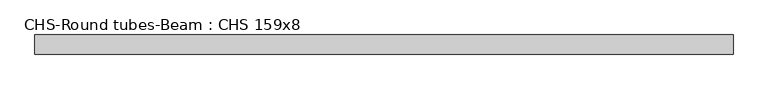
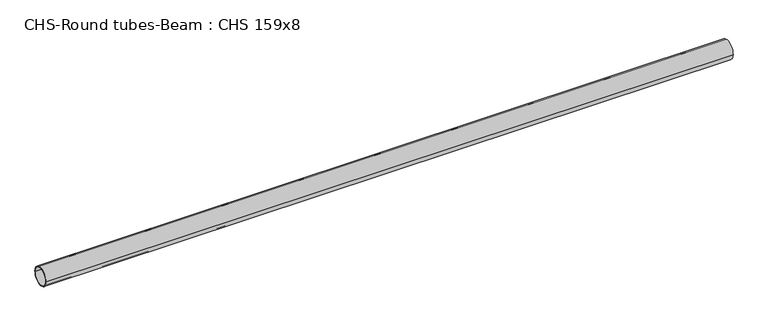
"""IFC4 building model written with IfcOpenShell, lengths in millimetres: beam geometry, CHS-Round tubes-Beam : CHS 159x8."""

import ifcopenshell
import ifcopenshell.guid

model = None  # the IFC model being written
_history = None  # IfcOwnerHistory: only IFC2X3 demands one
_inside = {}  # id of a spatial element -> (the spatial element, [elements in it])
_under = {}  # id of a project, library or spatial element -> (it, [spatial elements below it])
_declared = {}  # id of a project -> (the project, [libraries it declares])
_typed = {}  # id of a type object -> (the type object, [elements of that type])
_made_of = {}  # id of a material, layer set ... -> (it, [elements and type objects made of it])


def new_model(schema):
    """Start an empty IFC model of exactly this schema.

    Asked for "IFC4X3", IfcOpenShell would pick the latest addendum, in which some entities
    have other attributes; the version numbers below select the first issue.
    IFC2X3 requires an IfcOwnerHistory on every rooted entity: one is made here for all.
    """
    global model, _history
    if schema == "IFC4X3":
        model = ifcopenshell.file(schema_version=(4, 3, 0, 0))
    else:
        model = ifcopenshell.file(schema=schema)
    _inside.clear()
    _under.clear()
    _declared.clear()
    _typed.clear()
    _made_of.clear()
    _history = None
    if model.schema == "IFC2X3":
        org = make("IfcOrganization", Name="unknown")
        user = make(
            "IfcPersonAndOrganization",
            ThePerson=make("IfcPerson", FamilyName="unknown"),
            TheOrganization=org,
        )
        app = make(
            "IfcApplication",
            ApplicationDeveloper=org,
            Version="unknown",
            ApplicationFullName="unknown",
            ApplicationIdentifier="unknown",
        )
        _history = make(
            "IfcOwnerHistory",
            OwningUser=user,
            OwningApplication=app,
            ChangeAction="ADDED",
            CreationDate=0,
        )
    return model


def make(cls, **values):
    """One entity of the class cls with the attributes given. An attribute that is None is left unset."""
    return model.create_entity(
        cls, **{name: value for name, value in values.items() if value is not None}
    )


def rooted(cls, **values):
    """An entity with a GlobalId (a new one), such as an element, a storey or a relation."""
    return make(cls, GlobalId=ifcopenshell.guid.new(), OwnerHistory=_history, **values)


def si_unit(unit_type, name, prefix=None):
    """IfcSIUnit, for example si_unit("LENGTHUNIT", "METRE", prefix="MILLI")."""
    return make("IfcSIUnit", UnitType=unit_type, Prefix=prefix, Name=name)


def assignment(units):
    """IfcUnitAssignment: the units of a project."""
    return None if units is None else make("IfcUnitAssignment", Units=units)


def point(xyz):
    """IfcCartesianPoint."""
    return None if xyz is None else make("IfcCartesianPoint", Coordinates=xyz)


def direction(xyz):
    """IfcDirection."""
    return None if xyz is None else make("IfcDirection", DirectionRatios=xyz)


def frame(location, z_axis=None, x_axis=None):
    """IfcAxis2Placement3D, a coordinate frame: its origin and axes. An axis left out is left unset."""
    return make(
        "IfcAxis2Placement3D",
        Location=point(location),
        Axis=direction(z_axis),
        RefDirection=direction(x_axis),
    )


def frame_2d(location, x_axis=None):
    """IfcAxis2Placement2D, a coordinate frame in the plane: its origin and x axis."""
    return make(
        "IfcAxis2Placement2D", Location=point(location), RefDirection=direction(x_axis)
    )


def origin():
    """The frame at (0, 0, 0) with its axes left unset."""
    return frame((0.0, 0.0, 0.0))


def origin_2d():
    """The frame at (0, 0) in the plane with its x axis left unset."""
    return frame_2d((0.0, 0.0))


def place(relative_to, where):
    """IfcLocalPlacement: puts the frame where relative to a parent placement (None: the world)."""
    return make(
        "IfcLocalPlacement", PlacementRelTo=relative_to, RelativePlacement=where
    )


def context(
    kind, dimensions, precision=None, world=None, true_north=None, identifier=None
):
    """IfcGeometricRepresentationContext, for example the 3D "Model" context."""
    return make(
        "IfcGeometricRepresentationContext",
        ContextIdentifier=identifier,
        ContextType=kind,
        CoordinateSpaceDimension=dimensions,
        Precision=precision,
        WorldCoordinateSystem=world,
        TrueNorth=true_north,
    )


def project(units=None, contexts=None):
    """IfcProject with its units and contexts."""
    return rooted(
        "IfcProject",
        Name="project",
        RepresentationContexts=contexts,
        UnitsInContext=assignment(units),
    )


def spatial(cls, under=None, at=None, **own):
    """A site, building, storey or space (cls), placed at a placement, below another one or the project."""
    s = rooted(cls, ObjectPlacement=at, **own)
    if under is not None:
        _under.setdefault(under.id(), (under, []))[1].append(s)
    return s


def circle_curve(where, radius):
    """IfcCircle in the frame where."""
    return make("IfcCircle", Position=where, Radius=radius)


def trimmed(basis, trim1, trim2, sense, master):
    """IfcTrimmedCurve: the piece of a basis curve between two trims."""
    return make(
        "IfcTrimmedCurve",
        BasisCurve=basis,
        Trim1=trim1,
        Trim2=trim2,
        SenseAgreement=sense,
        MasterRepresentation=master,
    )


def segment(curve, same_sense, transition):
    """IfcCompositeCurveSegment."""
    return make(
        "IfcCompositeCurveSegment",
        Transition=transition,
        SameSense=same_sense,
        ParentCurve=curve,
    )


def composite_curve(segments, self_intersect=None):
    """IfcCompositeCurve: segments joined end to end."""
    return make("IfcCompositeCurve", Segments=segments, SelfIntersect=self_intersect)


def outline(outer, holes=None, kind="AREA"):
    """IfcArbitraryClosedProfileDef: a profile drawn as a closed curve; with holes, ...WithVoids."""
    if holes is None:
        return make("IfcArbitraryClosedProfileDef", ProfileType=kind, OuterCurve=outer)
    return make(
        "IfcArbitraryProfileDefWithVoids",
        ProfileType=kind,
        OuterCurve=outer,
        InnerCurves=holes,
    )


def extrude(swept, where, along, depth):
    """IfcExtrudedAreaSolid: the profile swept, set in the frame where, extruded along a direction by depth."""
    return make(
        "IfcExtrudedAreaSolid",
        SweptArea=swept,
        Position=where,
        ExtrudedDirection=direction(along),
        Depth=depth,
    )


def shape(context_of_items, identifier, shape_type, items):
    """IfcShapeRepresentation: the items that make up one representation, for example the "Body"."""
    return make(
        "IfcShapeRepresentation",
        ContextOfItems=context_of_items,
        RepresentationIdentifier=identifier,
        RepresentationType=shape_type,
        Items=items,
    )


def source(mapping_origin, context_of_items, identifier, shape_type, items):
    """IfcRepresentationMap: a shape defined once, which mapped items show again and again."""
    return make(
        "IfcRepresentationMap",
        MappingOrigin=mapping_origin,
        MappedRepresentation=shape(context_of_items, identifier, shape_type, items),
    )


def transform(
    local_origin,
    x_axis=None,
    y_axis=None,
    z_axis=None,
    scale=None,
    scale2=None,
    scale3=None,
    uniform=True,
):
    """IfcCartesianTransformationOperator3D, or its non-uniform kind. x_axis, y_axis, z_axis: its Axis1, 2, 3."""
    if uniform:
        return make(
            "IfcCartesianTransformationOperator3D",
            Axis1=direction(x_axis),
            Axis2=direction(y_axis),
            LocalOrigin=point(local_origin),
            Scale=scale,
            Axis3=direction(z_axis),
        )
    return make(
        "IfcCartesianTransformationOperator3DnonUniform",
        Axis1=direction(x_axis),
        Axis2=direction(y_axis),
        LocalOrigin=point(local_origin),
        Scale=scale,
        Axis3=direction(z_axis),
        Scale2=scale2,
        Scale3=scale3,
    )


def mapped(mapping_source, mapping_target):
    """IfcMappedItem: shows the shape of a source again, moved by a transform."""
    return make(
        "IfcMappedItem", MappingSource=mapping_source, MappingTarget=mapping_target
    )


def made_of(thing, what):
    """Note that an element or type object is made of a material, layer set ...; save() writes the relation."""
    if what is not None:
        _made_of.setdefault(what.id(), (what, []))[1].append(thing)
    return thing


def element(
    cls,
    number,
    at=None,
    inside=None,
    cuts=None,
    type_object=None,
    material=None,
    context=None,
    identifier="Body",
    shape_type=None,
    held_by="IfcProductDefinitionShape",
    body=None,
    shapes=None,
    **own,
):
    """One element of the class cls, such as IfcWall. Its Tag is "e" and its number.

    at: its placement. inside: the storey or other place that contains it. cuts: it is an
    opening in that element (IfcRelVoidsElement). A single representation is given by context,
    identifier, shape_type and body (its items); several are given by shapes. held_by: the class
    of the entity that holds the representations. save() writes the other relations.
    """
    e = rooted(cls, Tag="e%d" % number, ObjectPlacement=at, **own)
    if body is not None:
        shapes = [shape(context, identifier, shape_type, body)]
    if shapes is not None:
        e.Representation = make(held_by, Representations=shapes)
    if inside is not None:
        _inside.setdefault(inside.id(), (inside, []))[1].append(e)
    if cuts is not None:
        rooted(
            "IfcRelVoidsElement", RelatingBuildingElement=cuts, RelatedOpeningElement=e
        )
    if type_object is not None:
        _typed.setdefault(type_object.id(), (type_object, []))[1].append(e)
    return made_of(e, material)


def aggregate(whole, parts):
    """IfcRelAggregates: a whole, such as a stair, and the parts it consists of."""
    return rooted("IfcRelAggregates", RelatingObject=whole, RelatedObjects=parts)


def save(model, path):
    """Write the relations noted so far, then the file.

    IfcRelAggregates (storeys below a building ...), IfcRelContainedInSpatialStructure (elements
    in a storey), IfcRelDefinesByType, IfcRelAssociatesMaterial and IfcRelDeclares: one each for
    every whole, place, type object, material and project.
    """
    for whole, parts in _under.values():
        aggregate(whole, parts)
    for where, things in _inside.values():
        rooted(
            "IfcRelContainedInSpatialStructure",
            RelatedElements=things,
            RelatingStructure=where,
        )
    for kind, things in _typed.values():
        rooted("IfcRelDefinesByType", RelatedObjects=things, RelatingType=kind)
    for what, things in _made_of.values():
        rooted("IfcRelAssociatesMaterial", RelatedObjects=things, RelatingMaterial=what)
    for by, libraries in _declared.values():
        rooted("IfcRelDeclares", RelatingContext=by, RelatedDefinitions=libraries)
    model.write(path)


def chs_round_tubes_beam_chs_159x8_47206c14(model_context):
    return source(origin(), model_context, "Body", "SweptSolid", [
        extrude(outline(composite_curve([segment(trimmed(circle_curve(origin_2d(), 79.5), [point((79.5, 0.0))], [point((-79.5, 0.0))], False, "CARTESIAN"), True, "CONTINUOUS"), segment(trimmed(circle_curve(origin_2d(), 79.5), [point((-79.5, 0.0))], [point((79.5, 0.0))], False, "CARTESIAN"), True, "CONTINUOUS")], self_intersect=False), holes=[composite_curve([segment(trimmed(circle_curve(origin_2d(), 71.5), [point((71.5, 0.0))], [point((-71.5, 0.0))], True, "CARTESIAN"), True, "CONTINUOUS"), segment(trimmed(circle_curve(origin_2d(), 71.5), [point((-71.5, 0.0))], [point((71.5, 0.0))], True, "CARTESIAN"), True, "CONTINUOUS")], self_intersect=False)]), frame((-2815.2617319, 0.0, 0.0), z_axis=(1.0, 0.0, 0.0), x_axis=(0.0, 1.0, 0.0)), (0.0, 0.0, 1.0), 5789.9095122),
    ])


if __name__ == "__main__":
    model = new_model("IFC4")
    model_context = context("Model", 3, world=origin())
    ifc_project = project(units=[si_unit("LENGTHUNIT", "METRE", prefix="MILLI")], contexts=[model_context])
    site = spatial("IfcSite", under=ifc_project)
    building = spatial("IfcBuilding", under=site)
    placement = place(None, origin())
    chs_round_tubes_beam_chs_159x8_shape = chs_round_tubes_beam_chs_159x8_47206c14(model_context)
    element("IfcBeam", 1, ObjectType="CHS-Round tubes-Beam : CHS 159x8", at=placement, inside=building, context=model_context, shape_type="MappedRepresentation", body=[
        mapped(chs_round_tubes_beam_chs_159x8_shape, transform((0.0, 0.0, 0.0), x_axis=(1.0, 0.0, 0.0), y_axis=(0.0, 1.0, 0.0), z_axis=(0.0, 0.0, 1.0))),
    ])
    save(model, "model.ifc")
